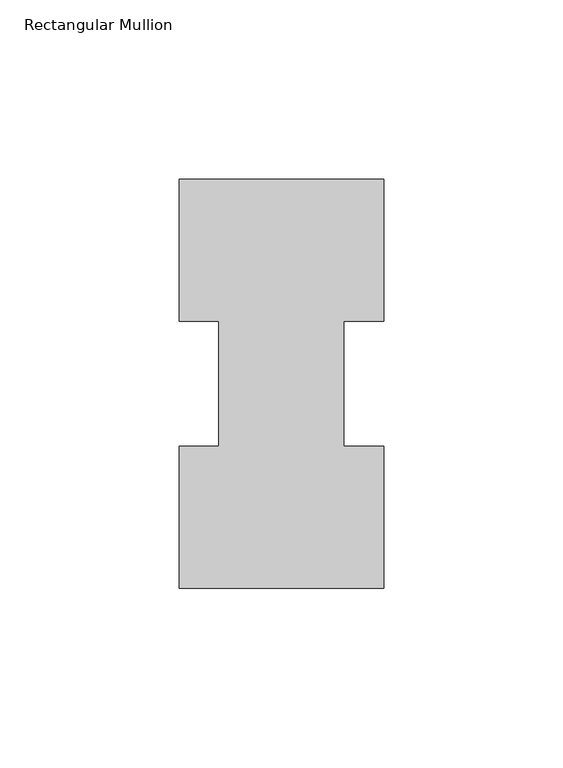
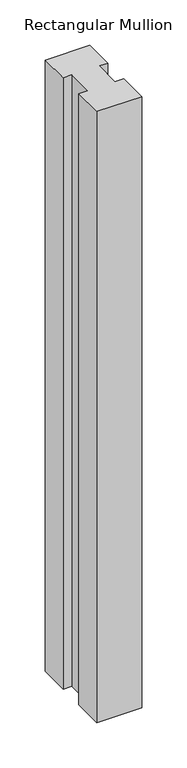
"""IFC4 building model written with IfcOpenShell, lengths in millimetres: member geometry, Rectangular Mullion."""

from ifc_helpers import new_model, si_unit, frame, origin, place, context, project, spatial, polyline, outline, extrude, source, transform, mapped, element, save


def rectangular_mullion_8f5b9722(model_context):
    return source(origin(), model_context, "Body", "SweptSolid", [
        extrude(outline(polyline([(28.575, 114.271425), (28.575, 74.596625), (17.4625, 74.596625), (17.4625, 39.646225), (28.575, 39.646225), (28.575, -0.028575), (-28.575, -0.028575), (-28.575, 39.646225), (-17.4625, 39.646225), (-17.4625, 74.596625), (-28.575, 74.596625), (-28.575, 114.271425), (28.575, 114.271425)])), frame((0.0, 0.0, -825.5), z_axis=(0.0, 0.0, 1.0), x_axis=(1.0, 0.0, 0.0)), (0.0, 0.0, 1.0), 825.5),
    ])


if __name__ == "__main__":
    model = new_model("IFC4")
    model_context = context("Model", 3, world=origin())
    ifc_project = project(units=[si_unit("LENGTHUNIT", "METRE", prefix="MILLI")], contexts=[model_context])
    site = spatial("IfcSite", under=ifc_project)
    building = spatial("IfcBuilding", under=site)
    placement = place(None, origin())
    rectangular_mullion_shape = rectangular_mullion_8f5b9722(model_context)
    element("IfcMember", 1, ObjectType="Rectangular Mullion", at=placement, inside=building, context=model_context, shape_type="MappedRepresentation", body=[
        mapped(rectangular_mullion_shape, transform((0.0, 0.0, 0.0), x_axis=(1.0, 0.0, 0.0), y_axis=(0.0, 1.0, 0.0), z_axis=(0.0, 0.0, 1.0))),
    ])
    save(model, "model.ifc")
